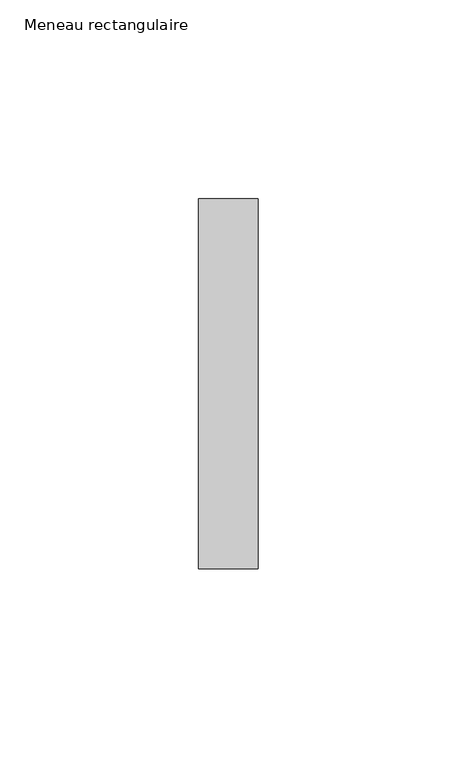
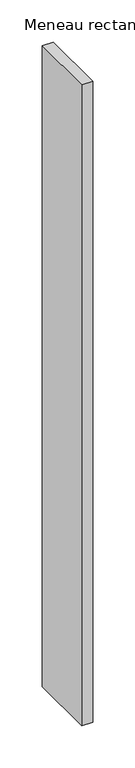
"""IFC4 building model written with IfcOpenShell, lengths in millimetres: member geometry, Meneau rectangulaire."""

from ifc_helpers import new_model, si_unit, frame, origin, place, context, project, spatial, polyline, outline, extrude, source, transform, mapped, element, save


def meneau_rectangulaire_9602990f(model_context):
    return source(origin(), model_context, "Body", "SweptSolid", [
        extrude(outline(polyline([(0.0, 46.5), (0.0, -46.5), (-15.0, -46.5), (-15.0, 46.5), (0.0, 46.5)])), frame((0.0, 0.0, -925.5040494), z_axis=(0.0, 0.0, 1.0), x_axis=(1.0, 0.0, 0.0)), (0.0, 0.0, 1.0), 925.5040494),
    ])


if __name__ == "__main__":
    model = new_model("IFC4")
    model_context = context("Model", 3, world=origin())
    ifc_project = project(units=[si_unit("LENGTHUNIT", "METRE", prefix="MILLI")], contexts=[model_context])
    site = spatial("IfcSite", under=ifc_project)
    building = spatial("IfcBuilding", under=site)
    placement = place(None, origin())
    meneau_rectangulaire_shape = meneau_rectangulaire_9602990f(model_context)
    element("IfcMember", 1, ObjectType="Meneau rectangulaire", at=placement, inside=building, context=model_context, shape_type="MappedRepresentation", body=[
        mapped(meneau_rectangulaire_shape, transform((0.0, 0.0, 0.0), x_axis=(1.0, 0.0, 0.0), y_axis=(0.0, 1.0, 0.0), z_axis=(0.0, 0.0, 1.0))),
    ])
    save(model, "model.ifc")
